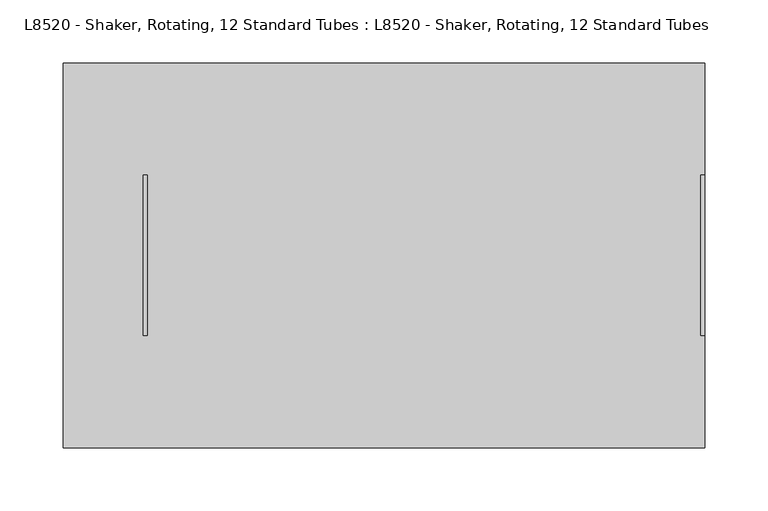
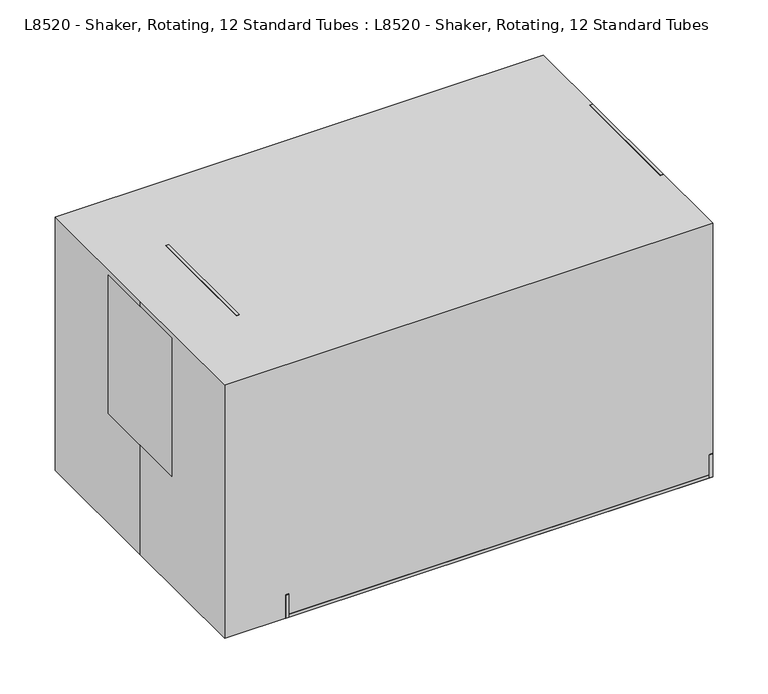
"""IFC4 building model written with IfcOpenShell, lengths in millimetres: proxy geometry, L8520 - Shaker, Rotating, 12 Standard Tubes : L8520 - Shaker, Rotating, 12 Standard Tubes."""

from ifc_helpers import new_model, si_unit, point, frame, frame_2d, origin, origin_with_axes, place, context, project, spatial, polyline, circle_curve, trimmed, segment, composite_curve, outline, extrude, source, transform, mapped, element, save


def l8520_shaker_rotating_12_standard_tubes_l8520_shaker_a838a3d4(model_context):
    return source(origin(), model_context, "Body", "SweptSolid", [
        extrude(outline(polyline([(244.475, 1.5875), (244.475, -1.5875), (-180.975, -1.5875), (-180.975, 1.5875), (244.475, 1.5875)])), frame((0.0, 0.0, 28.575), z_axis=(0.0, 0.0, 1.0), x_axis=(1.0, 0.0, 0.0)), (0.0, 0.0, 1.0), 241.3),
        extrude(outline(polyline([(244.475, 50.8), (244.475, -50.8), (-180.975, -50.8), (-180.975, 50.8), (244.475, 50.8)])), frame((0.0, 0.0, 209.55), z_axis=(0.0, 0.0, 1.0), x_axis=(1.0, 0.0, 0.0)), (0.0, 0.0, 1.0), 3.175),
        extrude(outline(polyline([(244.475, 50.8), (244.475, -50.8), (-180.975, -50.8), (-180.975, 50.8), (244.475, 50.8)])), frame((0.0, 0.0, 88.9), z_axis=(0.0, 0.0, 1.0), x_axis=(1.0, 0.0, 0.0)), (0.0, 0.0, 1.0), 3.175),
        extrude(outline(composite_curve([segment(trimmed(circle_curve(frame_2d((0.0, 250.825)), 6.35), [point((-6.35, 250.825))], [point((6.35, 250.825))], False, "CARTESIAN"), True, "CONTINUOUS"), segment(trimmed(circle_curve(frame_2d((0.0, 250.825)), 6.35), [point((6.35, 250.825))], [point((-6.35, 250.825))], False, "CARTESIAN"), True, "CONTINUOUS")], self_intersect=False)), frame((247.65, 0.0, 0.0), z_axis=(1.0, 0.0, 0.0), x_axis=(0.0, 1.0, 0.0)), (0.0, 0.0, 1.0), 3.175),
        extrude(outline(composite_curve([segment(trimmed(circle_curve(frame_2d((0.0, 250.825)), 6.35), [point((-6.35, 250.825))], [point((6.35, 250.825))], False, "CARTESIAN"), True, "CONTINUOUS"), segment(trimmed(circle_curve(frame_2d((0.0, 250.825)), 6.35), [point((6.35, 250.825))], [point((-6.35, 250.825))], False, "CARTESIAN"), True, "CONTINUOUS")], self_intersect=False)), frame((-187.325, 0.0, 0.0), z_axis=(1.0, 0.0, 0.0), x_axis=(0.0, 1.0, 0.0)), (0.0, 0.0, 1.0), 3.175),
        extrude(outline(polyline([(-190.5, 57.15), (-190.5, -57.15), (-254.0, -57.15), (-254.0, 57.15), (-190.5, 57.15)])), frame((0.0, 0.0, 120.65), z_axis=(0.0, 0.0, 1.0), x_axis=(1.0, 0.0, 0.0)), (0.0, 0.0, 1.0), 152.4),
        extrude(outline(polyline([(-152.4, 0.0), (-152.4, 25.4), (-63.5, 120.65), (-63.5, 279.4), (63.5, 279.4), (63.5, 120.65), (152.4, 25.4), (152.4, 0.0), (-152.4, 0.0)])), frame((-190.5, 0.0, 0.0), z_axis=(1.0, 0.0, 0.0), x_axis=(0.0, 1.0, 0.0)), (0.0, 0.0, 1.0), 3.175),
        extrude(outline(polyline([(273.05, 247.65), (273.05, -184.15), (25.4, -184.15), (25.4, 247.65), (273.05, 247.65)]), holes=[polyline([(269.875, 244.475), (28.575, 244.475), (28.575, -180.975), (269.875, -180.975), (269.875, 244.475)])]), frame((0.0, -57.15, 0.0), z_axis=(0.0, 1.0, 0.0), x_axis=(0.0, 0.0, 1.0)), (0.0, 0.0, 1.0), 114.3),
        extrude(outline(polyline([(-152.4, 0.0), (-152.4, 25.4), (-63.5, 120.65), (-63.5, 279.4), (63.5, 279.4), (63.5, 120.65), (152.4, 25.4), (152.4, 0.0), (-152.4, 0.0)])), frame((250.825, 0.0, 0.0), z_axis=(1.0, 0.0, 0.0), x_axis=(0.0, 1.0, 0.0)), (0.0, 0.0, 1.0), 3.175),
        extrude(outline(polyline([(250.825, 152.4), (250.825, -152.4), (-187.325, -152.4), (-187.325, 152.4), (250.825, 152.4)])), origin_with_axes(), (0.0, 0.0, 1.0), 3.175),
        extrude(outline(polyline([(-254.0, 152.4), (254.0, 152.4), (254.0, -152.4), (-254.0, -152.4), (-254.0, 0.0), (-254.0, 152.4)])), origin_with_axes(), (0.0, 0.0, 1.0), 279.4),
    ])


if __name__ == "__main__":
    model = new_model("IFC4")
    model_context = context("Model", 3, world=origin())
    ifc_project = project(units=[si_unit("LENGTHUNIT", "METRE", prefix="MILLI")], contexts=[model_context])
    site = spatial("IfcSite", under=ifc_project)
    building = spatial("IfcBuilding", under=site)
    placement = place(None, origin())
    l8520_shaker_rotating_12_standard_tubes_l8520_shaker_shape = l8520_shaker_rotating_12_standard_tubes_l8520_shaker_a838a3d4(model_context)
    element("IfcBuildingElementProxy", 1, Name="L8520 - Shaker, Rotating, 12 Standard Tubes : L8520 - Shaker, Rotating, 12 Standard Tubes", ObjectType="L8520 - Shaker, Rotating, 12 Standard Tubes : L8520 - Shaker, Rotating, 12 Standard Tubes", at=placement, inside=building, context=model_context, shape_type="MappedRepresentation", body=[
        mapped(l8520_shaker_rotating_12_standard_tubes_l8520_shaker_shape, transform((0.0, 0.0, 0.0), x_axis=(1.0, 0.0, 0.0), y_axis=(0.0, 1.0, 0.0), z_axis=(0.0, 0.0, 1.0))),
    ])
    save(model, "model.ifc")
